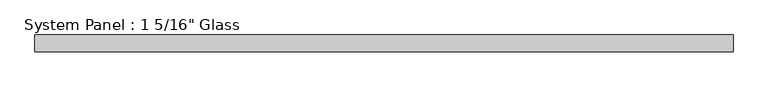
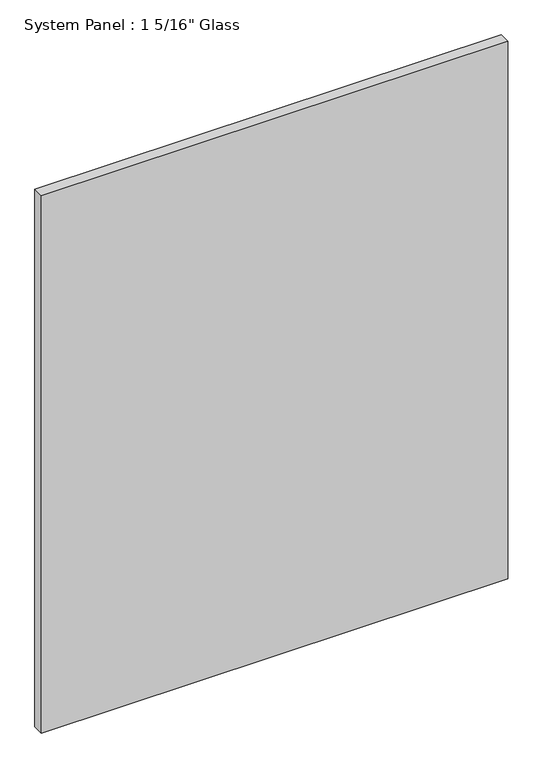
"""IFC4 building model written with IfcOpenShell, lengths in millimetres: plate geometry."""

from ifc_helpers import new_model, si_unit, origin, origin_with_axes, place, context, project, spatial, polyline, outline, extrude, source, transform, mapped, element, save


def plate_eb58d561(model_context):
    return source(origin(), model_context, "Body", "SweptSolid", [
        extrude(outline(polyline([(698.5, -16.66875), (-698.5, -16.66875), (-698.5, 16.66875), (698.5, 16.66875), (698.5, -16.66875)])), origin_with_axes(), (0.0, 0.0, 1.0), 1701.8),
    ])


if __name__ == "__main__":
    model = new_model("IFC4")
    model_context = context("Model", 3, world=origin())
    ifc_project = project(units=[si_unit("LENGTHUNIT", "METRE", prefix="MILLI")], contexts=[model_context])
    site = spatial("IfcSite", under=ifc_project)
    building = spatial("IfcBuilding", under=site)
    placement = place(None, origin())
    plate_shape = plate_eb58d561(model_context)
    element("IfcPlate", 1, ObjectType="System Panel : 1 5/16\" Glass", at=placement, inside=building, context=model_context, shape_type="MappedRepresentation", body=[
        mapped(plate_shape, transform((0.0, 0.0, 0.0), x_axis=(1.0, 0.0, 0.0), y_axis=(0.0, 1.0, 0.0), z_axis=(0.0, 0.0, 1.0))),
    ])
    save(model, "model.ifc")
